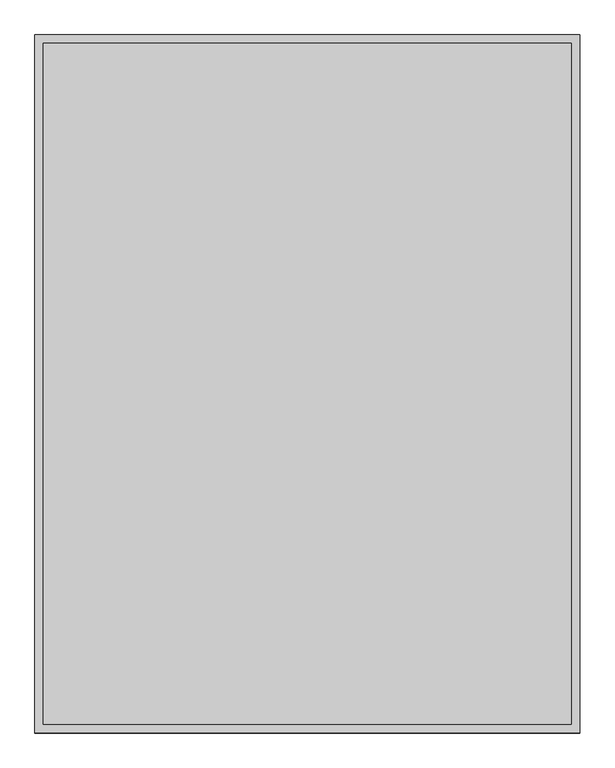
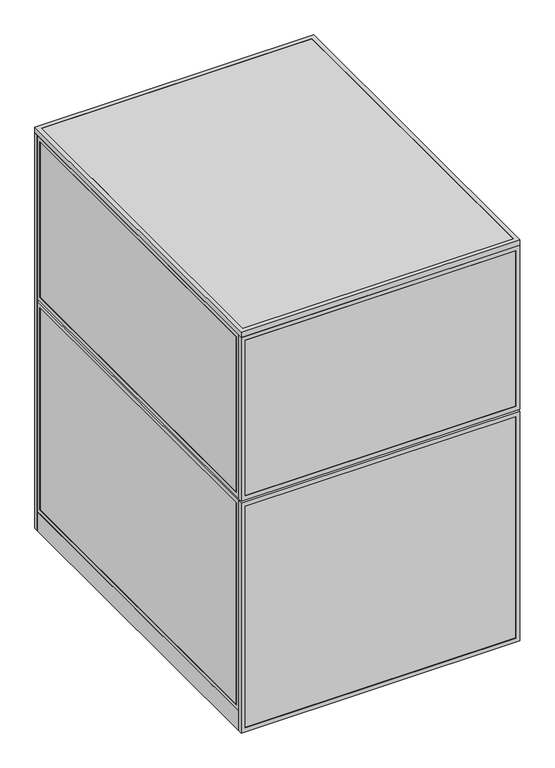
"""IFC4 building model written with IfcOpenShell, lengths in millimetres: proxy geometry."""

import ifcopenshell
import ifcopenshell.guid

model = None  # the IFC model being written
_history = None  # IfcOwnerHistory: only IFC2X3 demands one
_inside = {}  # id of a spatial element -> (the spatial element, [elements in it])
_under = {}  # id of a project, library or spatial element -> (it, [spatial elements below it])
_declared = {}  # id of a project -> (the project, [libraries it declares])
_typed = {}  # id of a type object -> (the type object, [elements of that type])
_made_of = {}  # id of a material, layer set ... -> (it, [elements and type objects made of it])


def new_model(schema):
    """Start an empty IFC model of exactly this schema.

    Asked for "IFC4X3", IfcOpenShell would pick the latest addendum, in which some entities
    have other attributes; the version numbers below select the first issue.
    IFC2X3 requires an IfcOwnerHistory on every rooted entity: one is made here for all.
    """
    global model, _history
    if schema == "IFC4X3":
        model = ifcopenshell.file(schema_version=(4, 3, 0, 0))
    else:
        model = ifcopenshell.file(schema=schema)
    _inside.clear()
    _under.clear()
    _declared.clear()
    _typed.clear()
    _made_of.clear()
    _history = None
    if model.schema == "IFC2X3":
        org = make("IfcOrganization", Name="unknown")
        user = make(
            "IfcPersonAndOrganization",
            ThePerson=make("IfcPerson", FamilyName="unknown"),
            TheOrganization=org,
        )
        app = make(
            "IfcApplication",
            ApplicationDeveloper=org,
            Version="unknown",
            ApplicationFullName="unknown",
            ApplicationIdentifier="unknown",
        )
        _history = make(
            "IfcOwnerHistory",
            OwningUser=user,
            OwningApplication=app,
            ChangeAction="ADDED",
            CreationDate=0,
        )
    return model


def make(cls, **values):
    """One entity of the class cls with the attributes given. An attribute that is None is left unset."""
    return model.create_entity(
        cls, **{name: value for name, value in values.items() if value is not None}
    )


def rooted(cls, **values):
    """An entity with a GlobalId (a new one), such as an element, a storey or a relation."""
    return make(cls, GlobalId=ifcopenshell.guid.new(), OwnerHistory=_history, **values)


def si_unit(unit_type, name, prefix=None):
    """IfcSIUnit, for example si_unit("LENGTHUNIT", "METRE", prefix="MILLI")."""
    return make("IfcSIUnit", UnitType=unit_type, Prefix=prefix, Name=name)


def assignment(units):
    """IfcUnitAssignment: the units of a project."""
    return None if units is None else make("IfcUnitAssignment", Units=units)


def point(xyz):
    """IfcCartesianPoint."""
    return None if xyz is None else make("IfcCartesianPoint", Coordinates=xyz)


def direction(xyz):
    """IfcDirection."""
    return None if xyz is None else make("IfcDirection", DirectionRatios=xyz)


def frame(location, z_axis=None, x_axis=None):
    """IfcAxis2Placement3D, a coordinate frame: its origin and axes. An axis left out is left unset."""
    return make(
        "IfcAxis2Placement3D",
        Location=point(location),
        Axis=direction(z_axis),
        RefDirection=direction(x_axis),
    )


def origin():
    """The frame at (0, 0, 0) with its axes left unset."""
    return frame((0.0, 0.0, 0.0))


def origin_with_axes():
    """The frame at (0, 0, 0) with the z axis (0, 0, 1) and the x axis (1, 0, 0) written out."""
    return frame((0.0, 0.0, 0.0), z_axis=(0.0, 0.0, 1.0), x_axis=(1.0, 0.0, 0.0))


def place(relative_to, where):
    """IfcLocalPlacement: puts the frame where relative to a parent placement (None: the world)."""
    return make(
        "IfcLocalPlacement", PlacementRelTo=relative_to, RelativePlacement=where
    )


def context(
    kind, dimensions, precision=None, world=None, true_north=None, identifier=None
):
    """IfcGeometricRepresentationContext, for example the 3D "Model" context."""
    return make(
        "IfcGeometricRepresentationContext",
        ContextIdentifier=identifier,
        ContextType=kind,
        CoordinateSpaceDimension=dimensions,
        Precision=precision,
        WorldCoordinateSystem=world,
        TrueNorth=true_north,
    )


def project(units=None, contexts=None):
    """IfcProject with its units and contexts."""
    return rooted(
        "IfcProject",
        Name="project",
        RepresentationContexts=contexts,
        UnitsInContext=assignment(units),
    )


def spatial(cls, under=None, at=None, **own):
    """A site, building, storey or space (cls), placed at a placement, below another one or the project."""
    s = rooted(cls, ObjectPlacement=at, **own)
    if under is not None:
        _under.setdefault(under.id(), (under, []))[1].append(s)
    return s


def polyline(points):
    """IfcPolyline through the points."""
    return make("IfcPolyline", Points=[point(p) for p in points])


def outline(outer, holes=None, kind="AREA"):
    """IfcArbitraryClosedProfileDef: a profile drawn as a closed curve; with holes, ...WithVoids."""
    if holes is None:
        return make("IfcArbitraryClosedProfileDef", ProfileType=kind, OuterCurve=outer)
    return make(
        "IfcArbitraryProfileDefWithVoids",
        ProfileType=kind,
        OuterCurve=outer,
        InnerCurves=holes,
    )


def extrude(swept, where, along, depth):
    """IfcExtrudedAreaSolid: the profile swept, set in the frame where, extruded along a direction by depth."""
    return make(
        "IfcExtrudedAreaSolid",
        SweptArea=swept,
        Position=where,
        ExtrudedDirection=direction(along),
        Depth=depth,
    )


def shape(context_of_items, identifier, shape_type, items):
    """IfcShapeRepresentation: the items that make up one representation, for example the "Body"."""
    return make(
        "IfcShapeRepresentation",
        ContextOfItems=context_of_items,
        RepresentationIdentifier=identifier,
        RepresentationType=shape_type,
        Items=items,
    )


def source(mapping_origin, context_of_items, identifier, shape_type, items):
    """IfcRepresentationMap: a shape defined once, which mapped items show again and again."""
    return make(
        "IfcRepresentationMap",
        MappingOrigin=mapping_origin,
        MappedRepresentation=shape(context_of_items, identifier, shape_type, items),
    )


def transform(
    local_origin,
    x_axis=None,
    y_axis=None,
    z_axis=None,
    scale=None,
    scale2=None,
    scale3=None,
    uniform=True,
):
    """IfcCartesianTransformationOperator3D, or its non-uniform kind. x_axis, y_axis, z_axis: its Axis1, 2, 3."""
    if uniform:
        return make(
            "IfcCartesianTransformationOperator3D",
            Axis1=direction(x_axis),
            Axis2=direction(y_axis),
            LocalOrigin=point(local_origin),
            Scale=scale,
            Axis3=direction(z_axis),
        )
    return make(
        "IfcCartesianTransformationOperator3DnonUniform",
        Axis1=direction(x_axis),
        Axis2=direction(y_axis),
        LocalOrigin=point(local_origin),
        Scale=scale,
        Axis3=direction(z_axis),
        Scale2=scale2,
        Scale3=scale3,
    )


def mapped(mapping_source, mapping_target):
    """IfcMappedItem: shows the shape of a source again, moved by a transform."""
    return make(
        "IfcMappedItem", MappingSource=mapping_source, MappingTarget=mapping_target
    )


def made_of(thing, what):
    """Note that an element or type object is made of a material, layer set ...; save() writes the relation."""
    if what is not None:
        _made_of.setdefault(what.id(), (what, []))[1].append(thing)
    return thing


def element(
    cls,
    number,
    at=None,
    inside=None,
    cuts=None,
    type_object=None,
    material=None,
    context=None,
    identifier="Body",
    shape_type=None,
    held_by="IfcProductDefinitionShape",
    body=None,
    shapes=None,
    **own,
):
    """One element of the class cls, such as IfcWall. Its Tag is "e" and its number.

    at: its placement. inside: the storey or other place that contains it. cuts: it is an
    opening in that element (IfcRelVoidsElement). A single representation is given by context,
    identifier, shape_type and body (its items); several are given by shapes. held_by: the class
    of the entity that holds the representations. save() writes the other relations.
    """
    e = rooted(cls, Tag="e%d" % number, ObjectPlacement=at, **own)
    if body is not None:
        shapes = [shape(context, identifier, shape_type, body)]
    if shapes is not None:
        e.Representation = make(held_by, Representations=shapes)
    if inside is not None:
        _inside.setdefault(inside.id(), (inside, []))[1].append(e)
    if cuts is not None:
        rooted(
            "IfcRelVoidsElement", RelatingBuildingElement=cuts, RelatedOpeningElement=e
        )
    if type_object is not None:
        _typed.setdefault(type_object.id(), (type_object, []))[1].append(e)
    return made_of(e, material)


def aggregate(whole, parts):
    """IfcRelAggregates: a whole, such as a stair, and the parts it consists of."""
    return rooted("IfcRelAggregates", RelatingObject=whole, RelatedObjects=parts)


def save(model, path):
    """Write the relations noted so far, then the file.

    IfcRelAggregates (storeys below a building ...), IfcRelContainedInSpatialStructure (elements
    in a storey), IfcRelDefinesByType, IfcRelAssociatesMaterial and IfcRelDeclares: one each for
    every whole, place, type object, material and project.
    """
    for whole, parts in _under.values():
        aggregate(whole, parts)
    for where, things in _inside.values():
        rooted(
            "IfcRelContainedInSpatialStructure",
            RelatedElements=things,
            RelatingStructure=where,
        )
    for kind, things in _typed.values():
        rooted("IfcRelDefinesByType", RelatedObjects=things, RelatingType=kind)
    for what, things in _made_of.values():
        rooted("IfcRelAssociatesMaterial", RelatedObjects=things, RelatingMaterial=what)
    for by, libraries in _declared.values():
        rooted("IfcRelDeclares", RelatingContext=by, RelatedDefinitions=libraries)
    model.write(path)


def specialty_equipment_a3bc6342(model_context):
    return source(origin(), model_context, "Body", "SweptSolid", [
        extrude(outline(polyline([(60.3189838, 1541.4625), (854.0810162, 1541.4625), (854.0810162, 1525.5875), (60.3189838, 1525.5875), (60.3189838, 1541.4625)])), frame((0.0, 0.0, 60.325), z_axis=(0.0, 0.0, 1.0), x_axis=(1.0, 0.0, 0.0)), (0.0, 0.0, 1.0), 1708.15),
        extrude(outline(polyline([(41.275, 41.2689838), (41.275, 873.1310162), (1787.525, 873.1310162), (1787.525, 41.2689838), (41.275, 41.2689838)]), holes=[polyline([(1768.475, 854.0810162), (60.325, 854.0810162), (60.325, 60.3189838), (1768.475, 60.3189838), (1768.475, 854.0810162)])]), frame((0.0, 1524.0, 0.0), z_axis=(0.0, 1.0, 0.0), x_axis=(0.0, 0.0, 1.0)), (0.0, 0.0, 1.0), 19.05),
        extrude(outline(polyline([(0.0, 0.0), (0.0, 914.4), (1828.8, 914.4), (1828.8, 0.0), (0.0, 0.0)]), holes=[polyline([(1809.75, 19.05), (1809.75, 895.35), (19.05, 895.35), (19.05, 19.05), (1809.75, 19.05)])]), frame((0.0, 1524.0, 0.0), z_axis=(0.0, 1.0, 0.0), x_axis=(0.0, 0.0, 1.0)), (0.0, 0.0, 1.0), 19.05),
        extrude(outline(polyline([(933.45, 1541.4625), (1200.15, 1541.4625), (1200.15, 1525.5875), (933.45, 1525.5875), (933.45, 1541.4625)])), frame((0.0, 0.0, 19.05), z_axis=(0.0, 0.0, 1.0), x_axis=(1.0, 0.0, 0.0)), (0.0, 0.0, 1.0), 800.1),
        extrude(outline(polyline([(933.45, 1541.4625), (1200.15, 1541.4625), (1200.15, 1525.5875), (933.45, 1525.5875), (933.45, 1541.4625)])), frame((0.0, 0.0, 857.25), z_axis=(0.0, 0.0, 1.0), x_axis=(1.0, 0.0, 0.0)), (0.0, 0.0, 1.0), 952.5),
        extrude(outline(polyline([(1828.8, 1219.2), (1828.8, 914.4), (0.0, 914.4), (0.0, 1219.2), (1828.8, 1219.2)]), holes=[polyline([(819.15, 1200.15), (19.05, 1200.15), (19.05, 933.45), (819.15, 933.45), (819.15, 1200.15)]), polyline([(857.25, 1200.15), (857.25, 933.45), (1809.75, 933.45), (1809.75, 1200.15), (857.25, 1200.15)])]), frame((0.0, 1524.0, 0.0), z_axis=(0.0, 1.0, 0.0), x_axis=(0.0, 0.0, 1.0)), (0.0, 0.0, 1.0), 19.05),
        extrude(outline(polyline([(1062.0375, 1219.2), (1062.0375, 0.0), (0.0, 0.0), (0.0, 1219.2), (1062.0375, 1219.2)]), holes=[polyline([(19.05, 1200.15), (19.05, 19.05), (1042.9875, 19.05), (1042.9875, 1200.15), (19.05, 1200.15)])]), frame((0.0, -19.05, 0.0), z_axis=(0.0, 1.0, 0.0), x_axis=(0.0, 0.0, 1.0)), (0.0, 0.0, 1.0), 19.05),
        extrude(outline(polyline([(1071.5625, 1219.2), (1828.8, 1219.2), (1828.8, 0.0), (1071.5625, 0.0), (1071.5625, 1219.2)]), holes=[polyline([(1809.75, 1200.15), (1090.6125, 1200.15), (1090.6125, 19.05), (1809.75, 19.05), (1809.75, 1200.15)])]), frame((0.0, -19.05, 0.0), z_axis=(0.0, 1.0, 0.0), x_axis=(0.0, 0.0, 1.0)), (0.0, 0.0, 1.0), 19.05),
        extrude(outline(polyline([(1200.15, -17.4625), (19.05, -17.4625), (19.05, -1.5875), (1200.15, -1.5875), (1200.15, -17.4625)])), frame((0.0, 0.0, 19.05), z_axis=(0.0, 0.0, 1.0), x_axis=(1.0, 0.0, 0.0)), (0.0, 0.0, 1.0), 1023.9375),
        extrude(outline(polyline([(1200.15, -17.4625), (19.05, -17.4625), (19.05, -1.5875), (1200.15, -1.5875), (1200.15, -17.4625)])), frame((0.0, 0.0, 1090.6125), z_axis=(0.0, 0.0, 1.0), x_axis=(1.0, 0.0, 0.0)), (0.0, 0.0, 1.0), 719.1375),
        extrude(outline(polyline([(1200.15, 0.0), (1200.15, 1524.0), (1219.2, 1524.0), (1219.2, 0.0), (1200.15, 0.0)])), origin_with_axes(), (0.0, 0.0, 1.0), 88.9),
        extrude(outline(polyline([(1524.0, 88.9), (0.0, 88.9), (0.0, 1062.0375), (1524.0, 1062.0375), (1524.0, 88.9)]), holes=[polyline([(1504.95, 1042.9875), (19.05, 1042.9875), (19.05, 107.95), (1504.95, 107.95), (1504.95, 1042.9875)])]), frame((1200.15, 0.0, 0.0), z_axis=(1.0, 0.0, 0.0), x_axis=(0.0, 1.0, 0.0)), (0.0, 0.0, 1.0), 19.05),
        extrude(outline(polyline([(0.0, 1071.5625), (0.0, 1828.8), (1524.0, 1828.8), (1524.0, 1071.5625), (0.0, 1071.5625)]), holes=[polyline([(19.05, 1809.75), (19.05, 1090.6125), (1504.95, 1090.6125), (1504.95, 1809.75), (19.05, 1809.75)])]), frame((1200.15, 0.0, 0.0), z_axis=(1.0, 0.0, 0.0), x_axis=(0.0, 1.0, 0.0)), (0.0, 0.0, 1.0), 19.05),
        extrude(outline(polyline([(1201.7375, 19.05), (1201.7375, 1504.95), (1217.6125, 1504.95), (1217.6125, 19.05), (1201.7375, 19.05)])), frame((0.0, 0.0, 107.95), z_axis=(0.0, 0.0, 1.0), x_axis=(1.0, 0.0, 0.0)), (0.0, 0.0, 1.0), 935.0375),
        extrude(outline(polyline([(1201.7375, 19.05), (1201.7375, 1504.95), (1217.6125, 1504.95), (1217.6125, 19.05), (1201.7375, 19.05)])), frame((0.0, 0.0, 1090.6125), z_axis=(0.0, 0.0, 1.0), x_axis=(1.0, 0.0, 0.0)), (0.0, 0.0, 1.0), 719.1375),
        extrude(outline(polyline([(0.0, 0.0), (0.0, 1524.0), (19.05, 1524.0), (19.05, 0.0), (0.0, 0.0)])), origin_with_axes(), (0.0, 0.0, 1.0), 88.9),
        extrude(outline(polyline([(1524.0, 88.9), (0.0, 88.9), (0.0, 1062.0375), (1524.0, 1062.0375), (1524.0, 88.9)]), holes=[polyline([(1504.95, 1042.9875), (19.05, 1042.9875), (19.05, 107.95), (1504.95, 107.95), (1504.95, 1042.9875)])]), frame((0.0, 0.0, 0.0), z_axis=(1.0, 0.0, 0.0), x_axis=(0.0, 1.0, 0.0)), (0.0, 0.0, 1.0), 19.05),
        extrude(outline(polyline([(0.0, 1071.5625), (0.0, 1828.8), (1524.0, 1828.8), (1524.0, 1071.5625), (0.0, 1071.5625)]), holes=[polyline([(19.05, 1809.75), (19.05, 1090.6125), (1504.95, 1090.6125), (1504.95, 1809.75), (19.05, 1809.75)])]), frame((0.0, 0.0, 0.0), z_axis=(1.0, 0.0, 0.0), x_axis=(0.0, 1.0, 0.0)), (0.0, 0.0, 1.0), 19.05),
        extrude(outline(polyline([(1.5875, 19.05), (1.5875, 1504.95), (17.4625, 1504.95), (17.4625, 19.05), (1.5875, 19.05)])), frame((0.0, 0.0, 107.95), z_axis=(0.0, 0.0, 1.0), x_axis=(1.0, 0.0, 0.0)), (0.0, 0.0, 1.0), 935.0375),
        extrude(outline(polyline([(1.5875, 19.05), (1.5875, 1504.95), (17.4625, 1504.95), (17.4625, 19.05), (1.5875, 19.05)])), frame((0.0, 0.0, 1090.6125), z_axis=(0.0, 0.0, 1.0), x_axis=(1.0, 0.0, 0.0)), (0.0, 0.0, 1.0), 719.1375),
        extrude(outline(polyline([(1187.45, 622.3), (1187.45, 609.6), (31.75, 609.6), (31.75, 622.3), (1187.45, 622.3)])), origin_with_axes(), (0.0, 0.0, 1.0), 152.4),
        extrude(outline(polyline([(1187.45, 622.3), (1187.45, 12.7), (31.75, 12.7), (31.75, 622.3), (1187.45, 622.3)])), frame((0.0, 0.0, 152.4), z_axis=(0.0, 0.0, 1.0), x_axis=(1.0, 0.0, 0.0)), (0.0, 0.0, 1.0), 12.7),
        extrude(outline(polyline([(1219.2, 1543.05), (1219.2, -19.05), (0.0, -19.05), (0.0, 1543.05), (1219.2, 1543.05)]), holes=[polyline([(1200.15, 1524.0), (19.05, 1524.0), (19.05, 0.0), (1200.15, 0.0), (1200.15, 1524.0)])]), frame((0.0, 0.0, 1828.8), z_axis=(0.0, 0.0, 1.0), x_axis=(1.0, 0.0, 0.0)), (0.0, 0.0, 1.0), 25.4),
        extrude(outline(polyline([(19.05, 1524.0), (1200.15, 1524.0), (1200.15, 0.0), (19.05, 0.0), (19.05, 1524.0)])), frame((0.0, 0.0, 1828.8), z_axis=(0.0, 0.0, 1.0), x_axis=(1.0, 0.0, 0.0)), (0.0, 0.0, 1.0), 25.4),
    ])


if __name__ == "__main__":
    model = new_model("IFC4")
    model_context = context("Model", 3, world=origin())
    ifc_project = project(units=[si_unit("LENGTHUNIT", "METRE", prefix="MILLI")], contexts=[model_context])
    site = spatial("IfcSite", under=ifc_project)
    building = spatial("IfcBuilding", under=site)
    placement = place(None, origin())
    specialty_equipment_shape = specialty_equipment_a3bc6342(model_context)
    element("IfcBuildingElementProxy", 1, Name="Specialty Equipment", at=placement, inside=building, context=model_context, shape_type="MappedRepresentation", body=[
        mapped(specialty_equipment_shape, transform((0.0, 0.0, 0.0), x_axis=(1.0, 0.0, 0.0), y_axis=(0.0, 1.0, 0.0), z_axis=(0.0, 0.0, 1.0))),
    ])
    save(model, "model.ifc")
